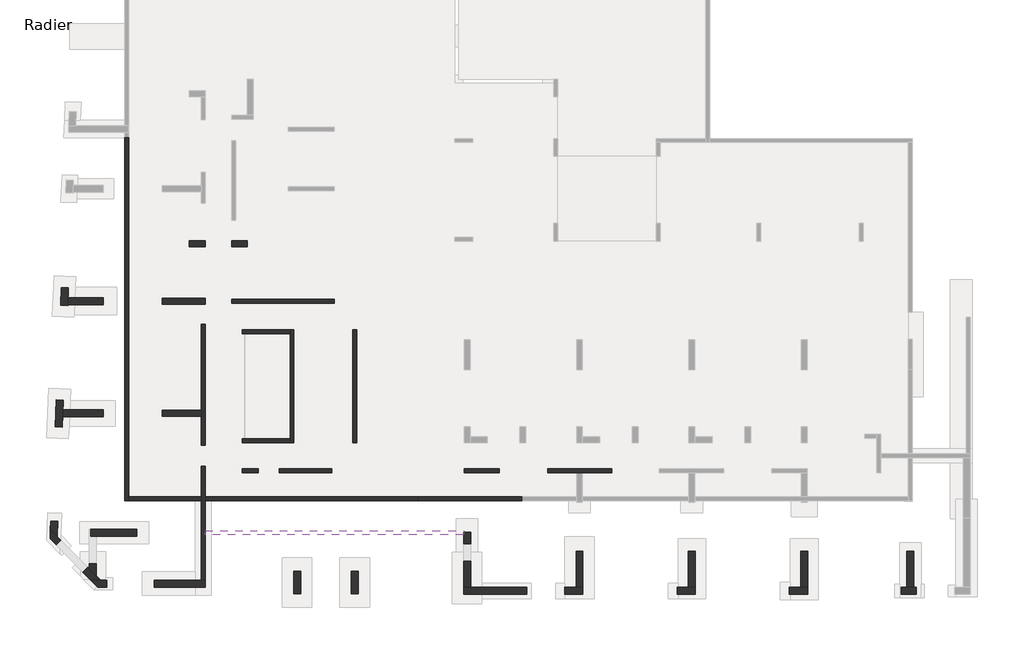
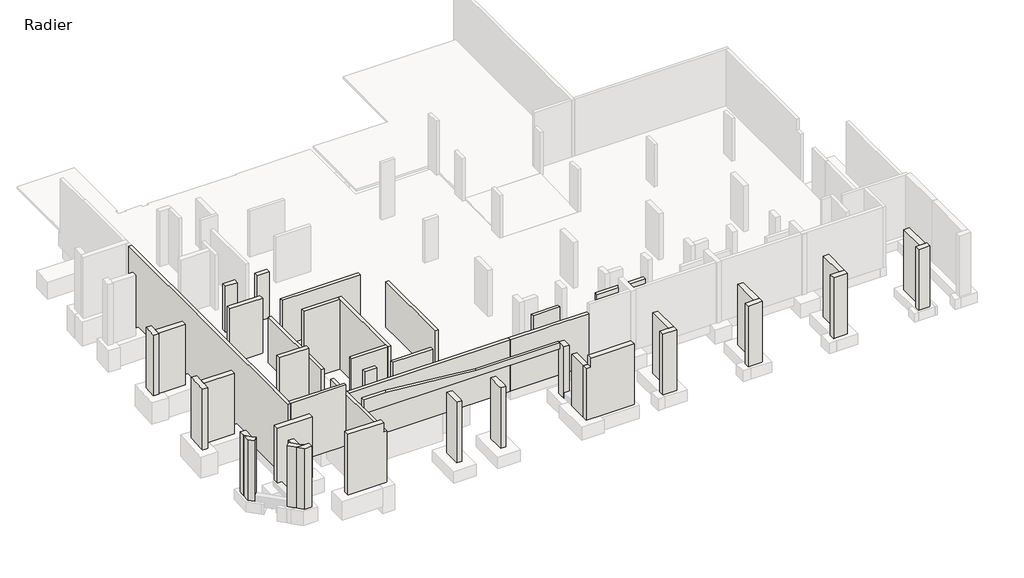
# One storey, part 1 of 5: 44 walls.
"""IFC4 building model written with IfcOpenShell, lengths in millimetres."""

from ifc_helpers import new_model, si_unit, frame, origin, place, context, project, spatial, polyline, outline, extrude, faceted_brep, element, save

model = new_model("IFC4")

# Units and contexts
model_context = context("Model", 3, world=origin())
ifc_project = project(units=[si_unit("LENGTHUNIT", "METRE", prefix="MILLI")], contexts=[model_context])

# Site, building, storey
site = spatial("IfcSite", under=ifc_project)
building = spatial("IfcBuilding", under=site)
storey = spatial("IfcBuildingStorey", under=building, Name="Radier", Elevation=-3900.0)

# Walls
placement = place(None, origin())
element("IfcWall", 1, ObjectType="MHA20", at=placement, inside=storey, context=model_context, shape_type="Brep", body=[
    faceted_brep([(-36735.6912908, -18724.0672499, -4300.0), (-36735.6912908, -12949.0672499, -4300.0), (-36735.6912908, -12949.0672499, -4050.0), (-36735.6912908, -12949.0672499, -670.0), (-36735.6912908, -18724.0672499, -670.0), (-36935.6912908, -18724.0672499, -4300.0), (-36935.6912908, -18724.0672499, -670.0), (-36935.6912908, -12949.0672499, -670.0), (-36935.6912908, -12949.0672499, -4050.0), (-36935.6912908, -12949.0672499, -4300.0)], [[[0, 1, 2, 3, 4]], [[5, 6, 7, 8, 9]], [[1, 0, 5, 9]], [[3, 2, 1, 9, 8, 7]], [[4, 3, 7, 6]], [[0, 4, 6, 5]]]),
])
element("IfcWall", 2, ObjectType="MHA20", at=placement, inside=storey, context=model_context, shape_type="Brep", body=[
    faceted_brep([(-16160.6912908, -13079.0672499, -4300.0), (-19380.6912908, -13079.0672499, -4300.0), (-19380.6912908, -13079.0672499, -670.0), (-16160.6912908, -13079.0672499, -670.0), (-16160.6912908, -13279.0672499, -4300.0), (-16160.6912908, -13279.0672499, -670.0), (-19380.6912908, -13279.0672499, -670.0), (-19380.6912908, -13279.0672499, -4300.0), (-17935.6912908, -13279.0672499, -4300.0), (-17635.6912908, -13279.0672499, -4300.0)], [[[0, 1, 2, 3]], [[4, 5, 6, 7, 8, 9]], [[1, 0, 4, 9, 8, 7]], [[2, 1, 7, 6]], [[3, 2, 6, 5]], [[0, 3, 5, 4]]]),
])
element("IfcWall", 3, ObjectType="MHA20", at=placement, inside=storey, context=model_context, shape_type="SweptSolid", body=[
    extrude(outline(polyline([(-23625.6912908, -13079.0672499), (-21850.6912908, -13079.0672499), (-21850.6912908, -13279.0672499), (-23625.6912908, -13279.0672499), (-23625.6912908, -13079.0672499)])), frame((0.0, 0.0, -4300.0), z_axis=(0.0, 0.0, 1.0), x_axis=(1.0, 0.0, 0.0)), (0.0, 0.0, 1.0), 3630.0),
])
element("IfcWall", 4, ObjectType="MHA20", at=placement, inside=storey, context=model_context, shape_type="Brep", body=[
    faceted_brep([(-30320.6912908, -13079.0672499, -4300.0), (-32995.6912908, -13079.0672499, -4300.0), (-32995.6912908, -13079.0672499, -4050.0), (-32995.6912908, -13079.0672499, -670.0), (-30320.6912908, -13079.0672499, -670.0), (-30320.6912908, -13279.0672499, -4300.0), (-30320.6912908, -13279.0672499, -670.0), (-32995.6912908, -13279.0672499, -670.0), (-32995.6912908, -13279.0672499, -4050.0), (-32995.6912908, -13279.0672499, -4300.0)], [[[0, 1, 2, 3, 4]], [[5, 6, 7, 8, 9]], [[1, 0, 5, 9]], [[3, 2, 1, 9, 8, 7]], [[4, 3, 7, 6]], [[0, 4, 6, 5]]]),
])
element("IfcWall", 5, ObjectType="MHA20", at=placement, inside=storey, context=model_context, shape_type="Brep", body=[
    faceted_brep([(-34865.6912908, -13279.0672499, -4300.0), (-34055.6912908, -13279.0672499, -4300.0), (-34055.6912908, -13279.0672499, -4050.0), (-34055.6912908, -13279.0672499, -670.0), (-34865.6912908, -13279.0672499, -670.0), (-34865.6912908, -13079.0672499, -4300.0), (-34865.6912908, -13079.0672499, -670.0), (-34055.6912908, -13079.0672499, -670.0), (-34055.6912908, -13079.0672499, -4050.0), (-34055.6912908, -13079.0672499, -4300.0)], [[[0, 1, 2, 3, 4]], [[5, 6, 7, 8, 9]], [[1, 0, 5, 9]], [[3, 2, 1, 9, 8, 7]], [[4, 3, 7, 6]], [[0, 4, 6, 5]]]),
])
element("IfcWall", 6, ObjectType="MHA20", at=placement, inside=storey, context=model_context, shape_type="Brep", body=[
    faceted_brep([(-29065.6912908, -11759.0672499, -4300.0), (-29065.6912908, -6039.0672499, -4300.0), (-29065.6912908, -6039.0672499, -1650.0), (-29065.6912908, -6039.0672499, -830.0), (-29065.6912908, -6039.0672499, -670.0), (-29065.6912908, -11759.0672499, -670.0), (-29265.6912908, -11759.0672499, -4300.0), (-29265.6912908, -11759.0672499, -670.0), (-29265.6912908, -6039.0672499, -670.0), (-29265.6912908, -6039.0672499, -830.0), (-29265.6912908, -6039.0672499, -1650.0), (-29265.6912908, -6039.0672499, -4300.0)], [[[0, 1, 2, 3, 4, 5]], [[6, 7, 8, 9, 10, 11]], [[1, 0, 6, 11]], [[4, 3, 2, 1, 11, 10, 9, 8]], [[5, 4, 8, 7]], [[0, 5, 7, 6]]]),
])
element("IfcWall", 7, ObjectType="MHA20", at=placement, inside=storey, context=model_context, shape_type="Brep", body=[
    faceted_brep([(-35405.6912908, -4689.0672499, -4300.0), (-30195.6912908, -4689.0672499, -4300.0), (-30195.6912908, -4689.0672499, -1650.0), (-30195.6912908, -4689.0672499, -830.0), (-30195.6912908, -4689.0672499, -670.0), (-35405.6912908, -4689.0672499, -670.0), (-35405.6912908, -4689.0672499, -4050.0), (-35405.6912908, -4489.0672499, -4300.0), (-35405.6912908, -4489.0672499, -4050.0), (-35405.6912908, -4489.0672499, -670.0), (-30195.6912908, -4489.0672499, -670.0), (-30195.6912908, -4489.0672499, -830.0), (-30195.6912908, -4489.0672499, -1650.0), (-30195.6912908, -4489.0672499, -4300.0)], [[[0, 1, 2, 3, 4, 5, 6]], [[7, 8, 9, 10, 11, 12, 13]], [[1, 0, 7, 13]], [[4, 3, 2, 1, 13, 12, 11, 10]], [[5, 4, 10, 9]], [[0, 6, 5, 9, 8, 7]]]),
])
element("IfcWall", 8, ObjectType="MHA20", at=placement, inside=storey, context=model_context, shape_type="Brep", body=[
    faceted_brep([(-32245.6912908, -11759.0672499, -5800.0), (-32245.6912908, -6044.0672499, -5800.0), (-32245.6912908, -6044.0672499, -670.0), (-32245.6912908, -11759.0672499, -670.0), (-32445.6912908, -11759.0672499, -5800.0), (-32445.6912908, -11759.0672499, -670.0), (-32445.6912908, -11559.0672499, -670.0), (-32445.6912908, -6244.0672499, -670.0), (-32445.6912908, -6044.0672499, -670.0), (-32445.6912908, -6044.0672499, -5800.0), (-32445.6912908, -6244.0672499, -5800.0), (-32445.6912908, -11559.0672499, -5800.0)], [[[0, 1, 2, 3]], [[4, 5, 6, 7, 8, 9, 10, 11]], [[1, 0, 4, 11, 10, 9]], [[3, 2, 8, 7, 6, 5]], [[0, 3, 5, 4]], [[2, 1, 9, 8]]]),
])
element("IfcWall", 9, ObjectType="MHA20", at=placement, inside=storey, context=model_context, shape_type="Brep", body=[
    faceted_brep([(-34865.6912908, -11759.0672499, -5800.0), (-32445.6912908, -11759.0672499, -5800.0), (-32445.6912908, -11759.0672499, -670.0), (-34865.6912908, -11759.0672499, -670.0), (-34865.6912908, -11759.0672499, -4050.0), (-34865.6912908, -11559.0672499, -5800.0), (-34865.6912908, -11559.0672499, -4050.0), (-34865.6912908, -11559.0672499, -670.0), (-32445.6912908, -11559.0672499, -670.0), (-32445.6912908, -11559.0672499, -5800.0), (-34745.6912908, -11559.0672499, -5800.0)], [[[0, 1, 2, 3, 4]], [[5, 6, 7, 8, 9, 10]], [[1, 0, 5, 10, 9]], [[3, 2, 8, 7]], [[0, 4, 3, 7, 6, 5]], [[2, 1, 9, 8]]]),
])
element("IfcWall", 10, ObjectType="MHA20", at=placement, inside=storey, context=model_context, shape_type="Brep", body=[
    faceted_brep([(-34865.6912908, -6244.0672499, -5800.0), (-34745.6912908, -6244.0672499, -5800.0), (-32445.6912908, -6244.0672499, -5800.0), (-32445.6912908, -6244.0672499, -670.0), (-34865.6912908, -6244.0672499, -670.0), (-34865.6912908, -6244.0672499, -4050.0), (-34865.6912908, -6044.0672499, -5800.0), (-34865.6912908, -6044.0672499, -4050.0), (-34865.6912908, -6044.0672499, -670.0), (-32445.6912908, -6044.0672499, -670.0), (-32445.6912908, -6044.0672499, -5800.0)], [[[0, 1, 2, 3, 4, 5]], [[6, 7, 8, 9, 10]], [[2, 1, 0, 6, 10]], [[4, 3, 9, 8]], [[0, 5, 4, 8, 7, 6]], [[3, 2, 10, 9]]]),
])
element("IfcWall", 11, ObjectType="MHA20", at=placement, inside=storey, context=model_context, shape_type="Brep", body=[
    faceted_brep([(-36735.6912908, -11889.0672499, -4300.0), (-36735.6912908, -5774.0672499, -4300.0), (-36735.6912908, -5774.0672499, -670.0), (-36735.6912908, -11889.0672499, -670.0), (-36735.6912908, -11889.0672499, -4050.0), (-36935.6912908, -11889.0672499, -4300.0), (-36935.6912908, -11889.0672499, -4050.0), (-36935.6912908, -11889.0672499, -670.0), (-36935.6912908, -5774.0672499, -670.0), (-36935.6912908, -5774.0672499, -4300.0), (-36935.6912908, -10129.0672499, -4300.0), (-36935.6912908, -10429.0672499, -4300.0)], [[[0, 1, 2, 3, 4]], [[5, 6, 7, 8, 9, 10, 11]], [[1, 0, 5, 11, 10, 9]], [[2, 1, 9, 8]], [[3, 2, 8, 7]], [[0, 4, 3, 7, 6, 5]]]),
])
element("IfcWall", 12, ObjectType="MHA20", at=placement, inside=storey, context=model_context, shape_type="SweptSolid", body=[
    extrude(outline(polyline([(-40605.6912908, 3675.9327501), (-40605.6912908, -14699.0672499), (-40805.6912908, -14699.0672499), (-40805.6912908, 3675.9327501), (-40605.6912908, 3675.9327501)])), frame((0.0, 0.0, -5400.0), z_axis=(0.0, 0.0, 1.0), x_axis=(1.0, 0.0, 0.0)), (0.0, 0.0, 1.0), 5380.0),
])
element("IfcWall", 13, ObjectType="MHA20", at=placement, inside=storey, context=model_context, shape_type="SweptSolid", body=[
    extrude(outline(polyline([(-36935.6912908, -14699.0672499), (-40605.6912908, -14699.0672499), (-40605.6912908, -14499.0672499), (-36935.6912908, -14499.0672499), (-36935.6912908, -14699.0672499)])), frame((0.0, 0.0, -4300.0), z_axis=(0.0, 0.0, 1.0), x_axis=(1.0, 0.0, 0.0)), (0.0, 0.0, 1.0), 4280.0),
])
element("IfcWall", 14, ObjectType="MHA20", at=placement, inside=storey, context=model_context, shape_type="Brep", body=[
    faceted_brep([(-25975.6912908, -14699.0672499, -4300.0), (-20715.6912908, -14699.0672499, -4300.0), (-20715.6912908, -14699.0672499, -670.0), (-23300.6912908, -14699.0672499, -670.0), (-23650.6912908, -14699.0672499, -670.0), (-25975.6912908, -14699.0672499, -670.0), (-25975.6912908, -14499.0672499, -4300.0), (-25975.6912908, -14499.0672499, -670.0), (-20715.6912908, -14499.0672499, -670.0), (-20715.6912908, -14499.0672499, -4300.0)], [[[0, 1, 2, 3, 4, 5]], [[6, 7, 8, 9]], [[1, 0, 6, 9]], [[2, 1, 9, 8]], [[5, 4, 3, 2, 8, 7]], [[0, 5, 7, 6]]]),
])
element("IfcWall", 15, ObjectType="MHA20", at=placement, inside=storey, context=model_context, shape_type="SweptSolid", body=[
    extrude(outline(polyline([(-25975.6912908, -14699.0672499), (-36735.6912908, -14699.0672499), (-36735.6912908, -14499.0672499), (-25975.6912908, -14499.0672499), (-25975.6912908, -14699.0672499)])), frame((0.0, 0.0, -4300.0), z_axis=(0.0, 0.0, 1.0), x_axis=(1.0, 0.0, 0.0)), (0.0, 0.0, 1.0), 3630.0),
])
element("IfcWall", 16, ObjectType="MHA20", at=placement, inside=storey, context=model_context, shape_type="Brep", body=[
    faceted_brep([(-36735.6912908, -16419.0672499, -80.0), (-36735.6912908, -16419.0672499, -1070.0), (-23650.6912908, -16419.0672499, -1070.0), (-23650.6912908, -16419.0672499, -670.0), (-29190.6912908, -16419.0672499, -670.0), (-35225.6912908, -16419.0672499, -80.0), (-36735.6912908, -16219.0672499, -1070.0), (-36735.6912908, -16219.0672499, -80.0), (-35225.6912908, -16219.0672499, -80.0), (-29190.6912908, -16219.0672499, -670.0), (-23650.6912908, -16219.0672499, -670.0), (-23650.6912908, -16219.0672499, -1070.0), (-23650.6912908, -16289.0672499, -670.0)], [[[0, 1, 2, 3, 4, 5]], [[6, 7, 8, 9, 10, 11]], [[0, 7, 6, 1]], [[2, 1, 6, 11]], [[3, 2, 11, 10, 12]], [[0, 5, 8, 7]], [[4, 3, 12, 10, 9]], [[5, 4, 9, 8]]]),
])
element("IfcWall", 17, ObjectType="MHA30", at=placement, inside=storey, context=model_context, shape_type="Brep", body=[
    faceted_brep([(-35405.6912908, -1844.0672499, -4300.0), (-34605.6912908, -1844.0672499, -4300.0), (-34605.6912908, -1844.0672499, -670.0), (-35405.6912908, -1844.0672499, -670.0), (-35405.6912908, -1844.0672499, -4050.0), (-35405.6912908, -1544.0672499, -4300.0), (-35405.6912908, -1544.0672499, -4050.0), (-35405.6912908, -1544.0672499, -670.0), (-34605.6912908, -1544.0672499, -670.0), (-34605.6912908, -1544.0672499, -4300.0)], [[[0, 1, 2, 3, 4]], [[5, 6, 7, 8, 9]], [[1, 0, 5, 9]], [[2, 1, 9, 8]], [[3, 2, 8, 7]], [[0, 4, 3, 7, 6, 5]]]),
])
element("IfcWall", 18, ObjectType="MHA30", at=placement, inside=storey, context=model_context, shape_type="Brep", body=[
    faceted_brep([(-36735.6912908, -1544.0672499, -4300.0), (-37535.6912908, -1544.0672499, -4300.0), (-37535.6912908, -1544.0672499, -670.0), (-36735.6912908, -1544.0672499, -670.0), (-36735.6912908, -1544.0672499, -820.0), (-36735.6912908, -1544.0672499, -4050.0), (-36735.6912908, -1844.0672499, -4300.0), (-36735.6912908, -1844.0672499, -4050.0), (-36735.6912908, -1844.0672499, -670.0), (-37535.6912908, -1844.0672499, -670.0), (-37535.6912908, -1844.0672499, -4300.0)], [[[0, 1, 2, 3, 4, 5]], [[6, 7, 8, 9, 10]], [[1, 0, 6, 10]], [[2, 1, 10, 9]], [[3, 2, 9, 8]], [[0, 5, 4, 3, 8, 7, 6]]]),
])
element("IfcWall", 19, ObjectType="MHA30", at=placement, inside=storey, context=model_context, shape_type="Brep", body=[
    faceted_brep([(-38905.6912908, -10429.0672499, -4300.0), (-36935.6912908, -10429.0672499, -4300.0), (-36935.6912908, -10429.0672499, -820.0), (-36935.6912908, -10429.0672499, -180.0), (-36935.6912908, -10429.0672499, -20.0), (-38905.6912908, -10429.0672499, -20.0), (-38905.6912908, -10429.0672499, -180.0), (-38905.6912908, -10429.0672499, -820.0), (-38905.6912908, -10129.0672499, -4300.0), (-38905.6912908, -10129.0672499, -820.0), (-38905.6912908, -10129.0672499, -180.0), (-38905.6912908, -10129.0672499, -20.0), (-36935.6912908, -10129.0672499, -20.0), (-36935.6912908, -10129.0672499, -180.0), (-36935.6912908, -10129.0672499, -820.0), (-36935.6912908, -10129.0672499, -4300.0)], [[[0, 1, 2, 3, 4, 5, 6, 7]], [[8, 9, 10, 11, 12, 13, 14, 15]], [[1, 0, 8, 15]], [[5, 4, 12, 11]], [[0, 7, 6, 5, 11, 10, 9, 8]], [[1, 15, 14, 13, 12, 4, 3, 2]]]),
])
element("IfcWall", 20, ObjectType="MHA30", at=placement, inside=storey, context=model_context, shape_type="Brep", body=[
    faceted_brep([(-36735.6912908, -4439.0672499, -4300.0), (-38905.6912908, -4439.0672499, -4300.0), (-38905.6912908, -4439.0672499, -820.0), (-38905.6912908, -4439.0672499, -180.0), (-38905.6912908, -4439.0672499, -20.0), (-36735.6912908, -4439.0672499, -20.0), (-36735.6912908, -4739.0672499, -4300.0), (-36735.6912908, -4739.0672499, -20.0), (-38905.6912908, -4739.0672499, -20.0), (-38905.6912908, -4739.0672499, -180.0), (-38905.6912908, -4739.0672499, -820.0), (-38905.6912908, -4739.0672499, -4300.0), (-36735.6912908, -4489.0672499, -4300.0), (-36735.6912908, -4689.0672499, -4300.0)], [[[0, 1, 2, 3, 4, 5]], [[6, 7, 8, 9, 10, 11]], [[1, 0, 12, 13, 6, 11]], [[4, 3, 2, 1, 11, 10, 9, 8]], [[5, 4, 8, 7]], [[0, 5, 7, 6, 13, 12]]]),
])
element("IfcWall", 21, ObjectType="MHA35", at=placement, inside=storey, context=model_context, shape_type="Brep", body=[
    faceted_brep([(-6230.6912908, -19094.0672499, -4300.0), (-6230.6912908, -17269.0672499, -4300.0), (-6230.6912908, -17269.0672499, -820.0), (-6230.6912908, -17269.0672499, -140.0), (-6230.6912908, -17269.0672499, -20.0), (-6230.6912908, -19094.0672499, -20.0), (-6580.6912908, -19094.0672499, -4300.0), (-6580.6912908, -19094.0672499, -20.0), (-6580.6912908, -17269.0672499, -20.0), (-6580.6912908, -17269.0672499, -140.0), (-6580.6912908, -17269.0672499, -820.0), (-6580.6912908, -17269.0672499, -4300.0)], [[[0, 1, 2, 3, 4, 5]], [[6, 7, 8, 9, 10, 11]], [[1, 0, 6, 11]], [[4, 3, 2, 1, 11, 10, 9, 8]], [[5, 4, 8, 7]], [[0, 5, 7, 6]]]),
])
element("IfcWall", 22, ObjectType="MHA35", at=placement, inside=storey, context=model_context, shape_type="Brep", body=[
    faceted_brep([(-850.6912908, -19094.0672499, -4300.0), (-850.6912908, -17269.0672499, -4300.0), (-850.6912908, -17269.0672499, -820.0), (-850.6912908, -17269.0672499, -140.0), (-850.6912908, -17269.0672499, -20.0), (-850.6912908, -19094.0672499, -20.0), (-1200.6912908, -19094.0672499, -4300.0), (-1200.6912908, -19094.0672499, -20.0), (-1200.6912908, -17269.0672499, -20.0), (-1200.6912908, -17269.0672499, -140.0), (-1200.6912908, -17269.0672499, -820.0), (-1200.6912908, -17269.0672499, -4300.0)], [[[0, 1, 2, 3, 4, 5]], [[6, 7, 8, 9, 10, 11]], [[1, 0, 6, 11]], [[4, 3, 2, 1, 11, 10, 9, 8]], [[5, 4, 8, 7]], [[0, 5, 7, 6]]]),
])
element("IfcWall", 23, ObjectType="MHA35", at=placement, inside=storey, context=model_context, shape_type="Brep", body=[
    faceted_brep([(-11920.6912908, -19094.0672499, -4300.0), (-11920.6912908, -17269.0672499, -4300.0), (-11920.6912908, -17269.0672499, -820.0), (-11920.6912908, -17269.0672499, -140.0), (-11920.6912908, -17269.0672499, -20.0), (-11920.6912908, -19094.0672499, -20.0), (-12270.6912908, -19094.0672499, -4300.0), (-12270.6912908, -19094.0672499, -20.0), (-12270.6912908, -17269.0672499, -20.0), (-12270.6912908, -17269.0672499, -140.0), (-12270.6912908, -17269.0672499, -820.0), (-12270.6912908, -17269.0672499, -4300.0)], [[[0, 1, 2, 3, 4, 5]], [[6, 7, 8, 9, 10, 11]], [[1, 0, 6, 11]], [[4, 3, 2, 1, 11, 10, 9, 8]], [[5, 4, 8, 7]], [[0, 5, 7, 6]]]),
])
element("IfcWall", 24, ObjectType="MHA35", at=placement, inside=storey, context=model_context, shape_type="Brep", body=[
    faceted_brep([(-17610.6912908, -19094.0672499, -4300.0), (-17610.6912908, -17269.0672499, -4300.0), (-17610.6912908, -17269.0672499, -820.0), (-17610.6912908, -17269.0672499, -140.0), (-17610.6912908, -17269.0672499, -20.0), (-17610.6912908, -19094.0672499, -20.0), (-17960.6912908, -19094.0672499, -4300.0), (-17960.6912908, -19094.0672499, -20.0), (-17960.6912908, -17269.0672499, -20.0), (-17960.6912908, -17269.0672499, -140.0), (-17960.6912908, -17269.0672499, -820.0), (-17960.6912908, -17269.0672499, -4300.0)], [[[0, 1, 2, 3, 4, 5]], [[6, 7, 8, 9, 10, 11]], [[1, 0, 6, 11]], [[4, 3, 2, 1, 11, 10, 9, 8]], [[5, 4, 8, 7]], [[0, 5, 7, 6]]]),
])
element("IfcWall", 25, ObjectType="MHA35", at=placement, inside=storey, context=model_context, shape_type="Brep", body=[
    faceted_brep([(-23300.6912908, -19094.0672499, -4300.0), (-23300.6912908, -17759.0672499, -4300.0), (-23300.6912908, -17759.0672499, -3900.0), (-23300.6912908, -17759.0672499, -1470.0), (-23300.6912908, -17759.0672499, -670.0), (-23300.6912908, -19094.0672499, -670.0), (-23650.6912908, -19094.0672499, -4300.0), (-23650.6912908, -19094.0672499, -670.0), (-23650.6912908, -17759.0672499, -670.0), (-23650.6912908, -17759.0672499, -1470.0), (-23650.6912908, -17759.0672499, -3900.0), (-23650.6912908, -17759.0672499, -4300.0), (-23325.6912908, -19094.0672499, -670.0)], [[[0, 1, 2, 3, 4, 5]], [[6, 7, 8, 9, 10, 11]], [[1, 0, 6, 11]], [[4, 3, 2, 1, 11, 10, 9, 8]], [[5, 4, 8, 7, 12]], [[0, 5, 12, 7, 6]]]),
])
element("IfcWall", 26, ObjectType="MHA35", at=placement, inside=storey, context=model_context, shape_type="Brep", body=[
    faceted_brep([(-28990.6912908, -19419.0672499, -4300.0), (-28990.6912908, -18269.0672499, -4300.0), (-28990.6912908, -18269.0672499, -20.0), (-28990.6912908, -19219.0672499, -20.0), (-28990.6912908, -19419.0672499, -20.0), (-28990.6912908, -19419.0672499, -420.0), (-29340.6912908, -19419.0672499, -4300.0), (-29340.6912908, -19419.0672499, -420.0), (-29340.6912908, -19419.0672499, -20.0), (-29340.6912908, -19219.0672499, -20.0), (-29340.6912908, -18269.0672499, -20.0), (-29340.6912908, -18269.0672499, -4300.0)], [[[0, 1, 2, 3, 4, 5]], [[6, 7, 8, 9, 10, 11]], [[1, 0, 6, 11]], [[2, 1, 11, 10]], [[4, 3, 2, 10, 9, 8]], [[0, 5, 4, 8, 7, 6]]]),
])
element("IfcWall", 27, ObjectType="MHA35", at=placement, inside=storey, context=model_context, shape_type="Brep", body=[
    faceted_brep([(-31910.6912908, -19419.0672499, -4300.0), (-31910.6912908, -18269.0672499, -4300.0), (-31910.6912908, -18269.0672499, -20.0), (-31910.6912908, -19219.0672499, -20.0), (-31910.6912908, -19419.0672499, -20.0), (-31910.6912908, -19419.0672499, -420.0), (-32260.6912908, -19419.0672499, -4300.0), (-32260.6912908, -19419.0672499, -420.0), (-32260.6912908, -19419.0672499, -20.0), (-32260.6912908, -19219.0672499, -20.0), (-32260.6912908, -18269.0672499, -20.0), (-32260.6912908, -18269.0672499, -4300.0)], [[[0, 1, 2, 3, 4, 5]], [[6, 7, 8, 9, 10, 11]], [[1, 0, 6, 11]], [[2, 1, 11, 10]], [[4, 3, 2, 10, 9, 8]], [[0, 5, 4, 8, 7, 6]]]),
])
element("IfcWall", 28, ObjectType="MHA35", at=placement, inside=storey, context=model_context, shape_type="Brep", body=[
    faceted_brep([(-43966.1461267, -10454.0672499, -4300.0), (-41905.6912908, -10454.0672499, -4300.0), (-41905.6912908, -10454.0672499, -820.0), (-41905.6912908, -10454.0672499, -140.0), (-41905.6912908, -10454.0672499, -20.0), (-43966.1461267, -10454.0672499, -20.0), (-43950.2684074, -10104.0672499, -4300.0), (-43950.2684074, -10104.0672499, -20.0), (-41905.6912908, -10104.0672499, -20.0), (-41905.6912908, -10104.0672499, -140.0), (-41905.6912908, -10104.0672499, -820.0), (-41905.6912908, -10104.0672499, -4300.0)], [[[0, 1, 2, 3, 4, 5]], [[6, 7, 8, 9, 10, 11]], [[1, 0, 6, 11]], [[4, 3, 2, 1, 11, 10, 9, 8]], [[5, 4, 8, 7]], [[0, 5, 7, 6]]]),
])
element("IfcWall", 29, ObjectType="MHA35", at=placement, inside=storey, context=model_context, shape_type="Brep", body=[
    faceted_brep([(-43708.0197758, -4764.0672499, -4300.0), (-41905.6912908, -4764.0672499, -4300.0), (-41905.6912908, -4764.0672499, -820.0), (-41905.6912908, -4764.0672499, -140.0), (-41905.6912908, -4764.0672499, -20.0), (-43708.0197758, -4764.0672499, -20.0), (-43692.1420565, -4414.0672499, -4300.0), (-43692.1420565, -4414.0672499, -20.0), (-41905.6912908, -4414.0672499, -20.0), (-41905.6912908, -4414.0672499, -140.0), (-41905.6912908, -4414.0672499, -820.0), (-41905.6912908, -4414.0672499, -4300.0)], [[[0, 1, 2, 3, 4, 5]], [[6, 7, 8, 9, 10, 11]], [[1, 0, 6, 11]], [[4, 3, 2, 1, 11, 10, 9, 8]], [[5, 4, 8, 7]], [[0, 5, 7, 6]]]),
])
element("IfcWall", 30, ObjectType="MHA35", at=placement, inside=storey, context=model_context, shape_type="Brep", body=[
    faceted_brep([(-23300.6912908, -16879.0672499, -4300.0), (-23300.6912908, -16289.0672499, -4300.0), (-23300.6912908, -16289.0672499, -1470.0), (-23300.6912908, -16289.0672499, -670.0), (-23300.6912908, -16879.0672499, -670.0), (-23300.6912908, -16879.0672499, -1470.0), (-23300.6912908, -16879.0672499, -3900.0), (-23650.6912908, -16879.0672499, -4300.0), (-23650.6912908, -16879.0672499, -3900.0), (-23650.6912908, -16879.0672499, -1470.0), (-23650.6912908, -16879.0672499, -670.0), (-23650.6912908, -16289.0672499, -670.0), (-23650.6912908, -16289.0672499, -1470.0), (-23650.6912908, -16289.0672499, -4300.0)], [[[0, 1, 2, 3, 4, 5, 6]], [[7, 8, 9, 10, 11, 12, 13]], [[1, 0, 7, 13]], [[3, 2, 1, 13, 12, 11]], [[4, 3, 11, 10]], [[0, 6, 5, 4, 10, 9, 8, 7]]]),
])
element("IfcWall", 31, ObjectType="MHA35", at=placement, inside=storey, context=model_context, shape_type="Brep", body=[
    faceted_brep([(-42250.6912908, -18510.656629, -4300.0), (-42250.6912908, -17889.0672499, -4300.0), (-42250.6912908, -17889.0672499, -3900.0), (-42250.6912908, -17889.0672499, -20.0), (-42250.6912908, -18510.656629, -20.0), (-42600.6912908, -18156.3621628, -4300.0), (-42600.6912908, -18156.3621628, -20.0), (-42600.6912908, -17889.0672499, -20.0), (-42600.6912908, -17889.0672499, -3900.0), (-42600.6912908, -17889.0672499, -4300.0)], [[[0, 1, 2, 3, 4]], [[5, 6, 7, 8, 9]], [[1, 0, 5, 9]], [[3, 2, 1, 9, 8, 7]], [[4, 3, 7, 6]], [[0, 4, 6, 5]]]),
])
element("IfcWall", 32, ObjectType="MHA35", at=placement, inside=storey, context=model_context, shape_type="SweptSolid", body=[
    extrude(outline(polyline([(-40205.6912908, -16494.0672499), (-42525.6912908, -16494.0672499), (-42525.6912908, -16144.0672499), (-40205.6912908, -16144.0672499), (-40205.6912908, -16494.0672499)])), frame((0.0, 0.0, -4300.0), z_axis=(0.0, 0.0, 1.0), x_axis=(1.0, 0.0, 0.0)), (0.0, 0.0, 1.0), 4280.0),
])
element("IfcWall", 33, ObjectType="MHA35", at=placement, inside=storey, context=model_context, shape_type="Brep", body=[
    faceted_brep([(-23650.6912908, -19444.0672499, -4300.0), (-20455.6912908, -19444.0672499, -4300.0), (-20455.6912908, -19444.0672499, -3700.0), (-20455.6912908, -19444.0672499, -420.0), (-20455.6912908, -19444.0672499, -140.0), (-20455.6912908, -19444.0672499, -20.0), (-23325.6912908, -19444.0672499, -20.0), (-23325.6912908, -19444.0672499, -670.0), (-23625.6912908, -19444.0672499, -670.0), (-23650.6912908, -19444.0672499, -670.0), (-23650.6912908, -19094.0672499, -4300.0), (-23650.6912908, -19094.0672499, -670.0), (-23325.6912908, -19094.0672499, -670.0), (-23325.6912908, -19094.0672499, -20.0), (-20455.6912908, -19094.0672499, -20.0), (-20455.6912908, -19094.0672499, -3700.0), (-20455.6912908, -19094.0672499, -4300.0), (-23300.6912908, -19094.0672499, -4300.0), (-23325.6912908, -19119.0672499, -20.0), (-23325.6912908, -19419.0672499, -20.0)], [[[0, 1, 2, 3, 4, 5, 6, 7, 8, 9]], [[10, 11, 12, 13, 14, 15, 16, 17]], [[1, 0, 10, 17, 16]], [[5, 4, 3, 2, 1, 16, 15, 14]], [[6, 5, 14, 13, 18, 19]], [[7, 12, 11, 9, 8]], [[0, 9, 11, 10]], [[7, 6, 19, 18, 13, 12]]]),
])
element("IfcWall", 34, ObjectType="MHA35", at=placement, inside=storey, context=model_context, shape_type="Brep", body=[
    faceted_brep([(-7155.6912908, -19444.0672499, -4300.0), (-6230.6912908, -19444.0672499, -4300.0), (-6230.6912908, -19444.0672499, -3700.0), (-6230.6912908, -19444.0672499, -420.0), (-6230.6912908, -19444.0672499, -140.0), (-6230.6912908, -19444.0672499, -20.0), (-7155.6912908, -19444.0672499, -20.0), (-7155.6912908, -19444.0672499, -140.0), (-7155.6912908, -19444.0672499, -420.0), (-7155.6912908, -19444.0672499, -3700.0), (-7155.6912908, -19094.0672499, -4300.0), (-7155.6912908, -19094.0672499, -3700.0), (-7155.6912908, -19094.0672499, -20.0), (-6580.6912908, -19094.0672499, -20.0), (-6230.6912908, -19094.0672499, -20.0), (-6230.6912908, -19094.0672499, -3700.0), (-6230.6912908, -19094.0672499, -4300.0), (-6580.6912908, -19094.0672499, -4300.0)], [[[0, 1, 2, 3, 4, 5, 6, 7, 8, 9]], [[10, 11, 12, 13, 14, 15, 16, 17]], [[1, 0, 10, 17, 16]], [[6, 5, 14, 13, 12]], [[0, 9, 8, 7, 6, 12, 11, 10]], [[5, 4, 3, 2, 1, 16, 15, 14]]]),
])
element("IfcWall", 35, ObjectType="MHA35", at=placement, inside=storey, context=model_context, shape_type="Brep", body=[
    faceted_brep([(-12845.6912908, -19444.0672499, -4300.0), (-11920.6912908, -19444.0672499, -4300.0), (-11920.6912908, -19444.0672499, -3700.0), (-11920.6912908, -19444.0672499, -420.0), (-11920.6912908, -19444.0672499, -140.0), (-11920.6912908, -19444.0672499, -20.0), (-12845.6912908, -19444.0672499, -20.0), (-12845.6912908, -19444.0672499, -140.0), (-12845.6912908, -19444.0672499, -420.0), (-12845.6912908, -19444.0672499, -3700.0), (-12845.6912908, -19094.0672499, -4300.0), (-12845.6912908, -19094.0672499, -3700.0), (-12845.6912908, -19094.0672499, -20.0), (-12270.6912908, -19094.0672499, -20.0), (-11920.6912908, -19094.0672499, -20.0), (-11920.6912908, -19094.0672499, -3700.0), (-11920.6912908, -19094.0672499, -4300.0), (-12270.6912908, -19094.0672499, -4300.0)], [[[0, 1, 2, 3, 4, 5, 6, 7, 8, 9]], [[10, 11, 12, 13, 14, 15, 16, 17]], [[1, 0, 10, 17, 16]], [[6, 5, 14, 13, 12]], [[0, 9, 8, 7, 6, 12, 11, 10]], [[5, 4, 3, 2, 1, 16, 15, 14]]]),
])
element("IfcWall", 36, ObjectType="MHA35", at=placement, inside=storey, context=model_context, shape_type="Brep", body=[
    faceted_brep([(-18535.6912908, -19444.0672499, -4300.0), (-17610.6912908, -19444.0672499, -4300.0), (-17610.6912908, -19444.0672499, -3700.0), (-17610.6912908, -19444.0672499, -420.0), (-17610.6912908, -19444.0672499, -140.0), (-17610.6912908, -19444.0672499, -20.0), (-18535.6912908, -19444.0672499, -20.0), (-18535.6912908, -19444.0672499, -140.0), (-18535.6912908, -19444.0672499, -420.0), (-18535.6912908, -19444.0672499, -3700.0), (-18535.6912908, -19094.0672499, -4300.0), (-18535.6912908, -19094.0672499, -3700.0), (-18535.6912908, -19094.0672499, -20.0), (-17960.6912908, -19094.0672499, -20.0), (-17610.6912908, -19094.0672499, -20.0), (-17610.6912908, -19094.0672499, -3700.0), (-17610.6912908, -19094.0672499, -4300.0), (-17960.6912908, -19094.0672499, -4300.0)], [[[0, 1, 2, 3, 4, 5, 6, 7, 8, 9]], [[10, 11, 12, 13, 14, 15, 16, 17]], [[1, 0, 10, 17, 16]], [[6, 5, 14, 13, 12]], [[0, 9, 8, 7, 6, 12, 11, 10]], [[5, 4, 3, 2, 1, 16, 15, 14]]]),
])
element("IfcWall", 37, ObjectType="MHA35", at=placement, inside=storey, context=model_context, shape_type="Brep", body=[
    faceted_brep([(-1485.6912908, -19444.0672499, -4300.0), (-725.6912908, -19444.0672499, -4300.0), (-725.6912908, -19444.0672499, -3700.0), (-725.6912908, -19444.0672499, -420.0), (-725.6912908, -19444.0672499, -140.0), (-725.6912908, -19444.0672499, -20.0), (-1485.6912908, -19444.0672499, -20.0), (-1485.6912908, -19444.0672499, -140.0), (-1485.6912908, -19444.0672499, -420.0), (-1485.6912908, -19444.0672499, -3700.0), (-1485.6912908, -19094.0672499, -4300.0), (-1485.6912908, -19094.0672499, -3700.0), (-1485.6912908, -19094.0672499, -20.0), (-1200.6912908, -19094.0672499, -20.0), (-850.6912908, -19094.0672499, -20.0), (-725.6912908, -19094.0672499, -20.0), (-725.6912908, -19094.0672499, -3700.0), (-725.6912908, -19094.0672499, -4300.0), (-850.6912908, -19094.0672499, -4300.0), (-1200.6912908, -19094.0672499, -4300.0)], [[[0, 1, 2, 3, 4, 5, 6, 7, 8, 9]], [[10, 11, 12, 13, 14, 15, 16, 17, 18, 19]], [[1, 0, 10, 19, 18, 17]], [[5, 4, 3, 2, 1, 17, 16, 15]], [[6, 5, 15, 14, 13, 12]], [[0, 9, 8, 7, 6, 12, 11, 10]]]),
])
element("IfcWall", 38, ObjectType="MHA35", at=placement, inside=storey, context=model_context, shape_type="Brep", body=[
    faceted_brep([(-43710.7383369, -4823.9937668, -4300.0), (-43708.0197758, -4764.0672499, -4300.0), (-43692.1420565, -4414.0672499, -4300.0), (-43669.7252716, -3919.9235657, -4300.0), (-43669.7252716, -3919.9235657, -3700.0), (-43669.7252716, -3919.9235657, -20.0), (-43692.1420565, -4414.0672499, -20.0), (-43708.0197758, -4764.0672499, -20.0), (-43710.7383369, -4823.9937668, -20.0), (-43710.7383369, -4823.9937668, -3700.0), (-44060.3787462, -4808.1323603, -4300.0), (-44060.3787462, -4808.1323603, -3700.0), (-44060.3787462, -4808.1323603, -420.0), (-44060.3787462, -4808.1323603, -140.0), (-44060.3787462, -4808.1323603, -20.0), (-44019.3656808, -3904.0621592, -20.0), (-44019.3656808, -3904.0621592, -140.0), (-44019.3656808, -3904.0621592, -420.0), (-44019.3656808, -3904.0621592, -3700.0), (-44019.3656808, -3904.0621592, -4300.0)], [[[0, 1, 2, 3, 4, 5, 6, 7, 8, 9]], [[10, 11, 12, 13, 14, 15, 16, 17, 18, 19]], [[3, 2, 1, 0, 10, 19]], [[5, 4, 3, 19, 18, 17, 16, 15]], [[8, 7, 6, 5, 15, 14]], [[0, 9, 8, 14, 13, 12, 11, 10]]]),
])
element("IfcWall", 39, ObjectType="MHA35", at=placement, inside=storey, context=model_context, shape_type="Brep", body=[
    faceted_brep([(-43989.4459083, -10967.6752437, -4300.0), (-43966.1461267, -10454.0672499, -4300.0), (-43950.2684074, -10104.0672499, -4300.0), (-43927.8130145, -9609.0725106, -4300.0), (-43927.8130145, -9609.0725106, -3700.0), (-43927.8130145, -9609.0725106, -20.0), (-43950.2684074, -10104.0672499, -20.0), (-43951.4025302, -10129.0672499, -20.0), (-43965.0120039, -10429.0672499, -20.0), (-43966.1461267, -10454.0672499, -20.0), (-43989.4459083, -10967.6752437, -20.0), (-43989.4459083, -10967.6752437, -3600.0), (-44339.0863176, -10951.8138372, -4300.0), (-44339.0863176, -10951.8138372, -3600.0), (-44339.0863176, -10951.8138372, -420.0), (-44339.0863176, -10951.8138372, -140.0), (-44339.0863176, -10951.8138372, -20.0), (-44277.4534238, -9593.2111041, -20.0), (-44277.4534238, -9593.2111041, -140.0), (-44277.4534238, -9593.2111041, -420.0), (-44277.4534238, -9593.2111041, -3700.0), (-44277.4534238, -9593.2111041, -4300.0)], [[[0, 1, 2, 3, 4, 5, 6, 7, 8, 9, 10, 11]], [[12, 13, 14, 15, 16, 17, 18, 19, 20, 21]], [[3, 2, 1, 0, 12, 21]], [[5, 4, 3, 21, 20, 19, 18, 17]], [[10, 9, 8, 7, 6, 5, 17, 16]], [[0, 11, 10, 16, 15, 14, 13, 12]]]),
])
element("IfcWall", 40, ObjectType="MHA35", at=placement, inside=storey, context=model_context, shape_type="Brep", body=[
    faceted_brep([(-44556.1609951, -15736.892581, -4300.0), (-44575.2454613, -16157.5804035, -4300.0), (-44575.2454613, -16157.5804035, -20.0), (-44556.1609951, -15736.892581, -20.0), (-44556.1609951, -15736.892581, -140.0), (-44556.1609951, -15736.892581, -420.0), (-44556.1609951, -15736.892581, -3600.0), (-44206.5205859, -15752.7539875, -4300.0), (-44206.5205859, -15752.7539875, -3600.0), (-44206.5205859, -15752.7539875, -20.0), (-44240.2681722, -16496.6678316, -20.0), (-44240.2681722, -16496.6678316, -4300.0)], [[[0, 1, 2, 3, 4, 5, 6]], [[7, 8, 9, 10, 11]], [[1, 0, 7, 11]], [[3, 2, 10, 9]], [[0, 6, 5, 4, 3, 9, 8, 7]], [[2, 1, 11, 10]]]),
])
element("IfcWall", 41, ObjectType="MHA35", at=placement, inside=storey, context=model_context, shape_type="Brep", body=[
    faceted_brep([(-42186.0939242, -19074.0672499, -4300.0), (-41735.6912908, -19074.0672499, -4300.0), (-41735.6912908, -19074.0672499, -3300.0), (-41735.6912908, -19074.0672499, -420.0), (-41735.6912908, -19074.0672499, -140.0), (-41735.6912908, -19074.0672499, -20.0), (-42186.0939242, -19074.0672499, -20.0), (-42531.8515121, -18724.0672499, -4300.0), (-42531.8515121, -18724.0672499, -20.0), (-42039.8674579, -18724.0672499, -20.0), (-41735.6912908, -18724.0672499, -20.0), (-41735.6912908, -18724.0672499, -3300.0), (-41735.6912908, -18724.0672499, -4300.0), (-42039.8674579, -18724.0672499, -4300.0)], [[[0, 1, 2, 3, 4, 5, 6]], [[7, 8, 9, 10, 11, 12, 13]], [[1, 0, 7, 13, 12]], [[5, 4, 3, 2, 1, 12, 11, 10]], [[6, 5, 10, 9, 8]], [[0, 6, 8, 7]]]),
])
element("IfcWall", 42, ObjectType="MHA35", at=placement, inside=storey, context=model_context, shape_type="Brep", body=[
    faceted_brep([(-42932.9248767, -18318.0727539, -4300.0), (-42531.8515121, -18724.0672499, -4300.0), (-42531.8515121, -18724.0672499, -20.0), (-42932.9248767, -18318.0727539, -20.0), (-42932.9248767, -18318.0727539, -140.0), (-42932.9248767, -18318.0727539, -420.0), (-42932.9248767, -18318.0727539, -3900.0), (-42683.933067, -18072.0990181, -4300.0), (-42683.933067, -18072.0990181, -3900.0), (-42683.933067, -18072.0990181, -20.0), (-42600.6912908, -18156.3621628, -20.0), (-42575.6912908, -18181.6689104, -20.0), (-42275.6912908, -18485.3498814, -20.0), (-42250.6912908, -18510.656629, -20.0), (-42039.8674579, -18724.0672499, -20.0), (-42039.8674579, -18724.0672499, -4300.0), (-42250.6912908, -18510.656629, -4300.0), (-42600.6912908, -18156.3621628, -4300.0)], [[[0, 1, 2, 3, 4, 5, 6]], [[7, 8, 9, 10, 11, 12, 13, 14, 15, 16, 17]], [[1, 0, 7, 17, 16, 15]], [[3, 2, 14, 13, 12, 11, 10, 9]], [[0, 6, 5, 4, 3, 9, 8, 7]], [[2, 1, 15, 14]]]),
])
element("IfcWall", 43, ObjectType="MHA35", at=placement, inside=storey, context=model_context, shape_type="Brep", body=[
    faceted_brep([(-39315.6912908, -19074.0672499, -4300.0), (-36735.6912908, -19074.0672499, -4300.0), (-36735.6912908, -19074.0672499, -670.0), (-36935.6912908, -19074.0672499, -670.0), (-36935.6912908, -19074.0672499, -20.0), (-39315.6912908, -19074.0672499, -20.0), (-39315.6912908, -19074.0672499, -140.0), (-39315.6912908, -19074.0672499, -420.0), (-39315.6912908, -19074.0672499, -3300.0), (-39315.6912908, -18724.0672499, -4300.0), (-39315.6912908, -18724.0672499, -3300.0), (-39315.6912908, -18724.0672499, -20.0), (-36935.6912908, -18724.0672499, -20.0), (-36935.6912908, -18724.0672499, -670.0), (-36735.6912908, -18724.0672499, -670.0), (-36735.6912908, -18724.0672499, -4300.0), (-36935.6912908, -18724.0672499, -4300.0), (-36935.6912908, -19049.0672499, -20.0), (-36935.6912908, -18749.0672499, -20.0)], [[[0, 1, 2, 3, 4, 5, 6, 7, 8]], [[9, 10, 11, 12, 13, 14, 15, 16]], [[1, 0, 9, 16, 15]], [[5, 4, 17, 18, 12, 11]], [[0, 8, 7, 6, 5, 11, 10, 9]], [[13, 3, 2, 14]], [[2, 1, 15, 14]], [[4, 3, 13, 12, 18, 17]]]),
])
element("IfcWall", 44, ObjectType="MHA35", at=placement, inside=storey, context=model_context, shape_type="Brep", body=[
    faceted_brep([(-44047.3231996, -16691.9802204, -4300.0), (-44240.2681722, -16496.6678316, -4300.0), (-44575.2454613, -16157.5804035, -4300.0), (-44575.2454613, -16157.5804035, -20.0), (-44240.2681722, -16496.6678316, -20.0), (-44047.3231996, -16691.9802204, -20.0), (-44296.3150093, -16937.9539561, -4300.0), (-44296.3150093, -16937.9539561, -420.0), (-44296.3150093, -16937.9539561, -140.0), (-44296.3150093, -16937.9539561, -20.0), (-44596.846186, -16633.7352909, -20.0), (-44596.846186, -16633.7352909, -4300.0)], [[[0, 1, 2, 3, 4, 5]], [[6, 7, 8, 9, 10, 11]], [[2, 1, 0, 6, 11]], [[5, 4, 3, 10, 9]], [[0, 5, 9, 8, 7, 6]], [[3, 2, 11, 10]]]),
])

save(model, "model.ifc")
